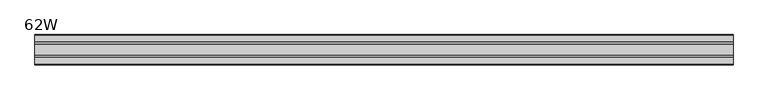
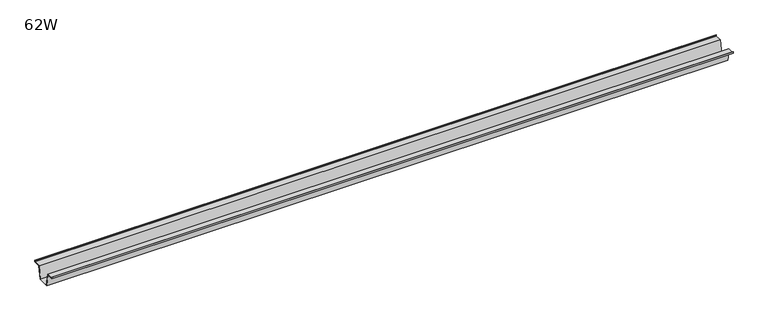
"""IFC4 building model written with IfcOpenShell, lengths in millimetres: furniture geometry, 62W."""

from ifc_helpers import new_model, si_unit, frame, origin, place, context, project, spatial, polyline, outline, extrude, source, transform, mapped, element, save


def furniture_62w_5d370c3a(model_context):
    return source(origin(), model_context, "Body", "SweptSolid", [
        extrude(outline(polyline([(-22.9397721, 701.675), (-28.502372, 671.4490007), (-53.9023728, 671.4490007), (-59.4649727, 701.675), (-75.3653716, 701.675), (-75.3653716, 704.85), (-74.5716216, 704.85), (-74.5716216, 702.46875), (-58.8172994, 702.46875), (-53.2546995, 672.2427507), (-29.1500453, 672.2427507), (-23.5874454, 702.46875), (-7.8331232, 702.46875), (-7.8331232, 704.85), (-7.0393732, 704.85), (-7.0393732, 701.675), (-22.9397721, 701.675)])), frame((-788.67, 0.0, 0.0), z_axis=(1.0, 0.0, 0.0), x_axis=(0.0, 1.0, 0.0)), (0.0, 0.0, 1.0), 1577.34),
    ])


if __name__ == "__main__":
    model = new_model("IFC4")
    model_context = context("Model", 3, world=origin())
    ifc_project = project(units=[si_unit("LENGTHUNIT", "METRE", prefix="MILLI")], contexts=[model_context])
    site = spatial("IfcSite", under=ifc_project)
    building = spatial("IfcBuilding", under=site)
    placement = place(None, origin())
    furniture_62w_shape = furniture_62w_5d370c3a(model_context)
    element("IfcFurniture", 1, ObjectType="62W", at=placement, inside=building, context=model_context, shape_type="MappedRepresentation", body=[
        mapped(furniture_62w_shape, transform((0.0, 0.0, 0.0), x_axis=(1.0, 0.0, 0.0), y_axis=(0.0, 1.0, 0.0), z_axis=(0.0, 0.0, 1.0))),
    ])
    save(model, "model.ifc")
